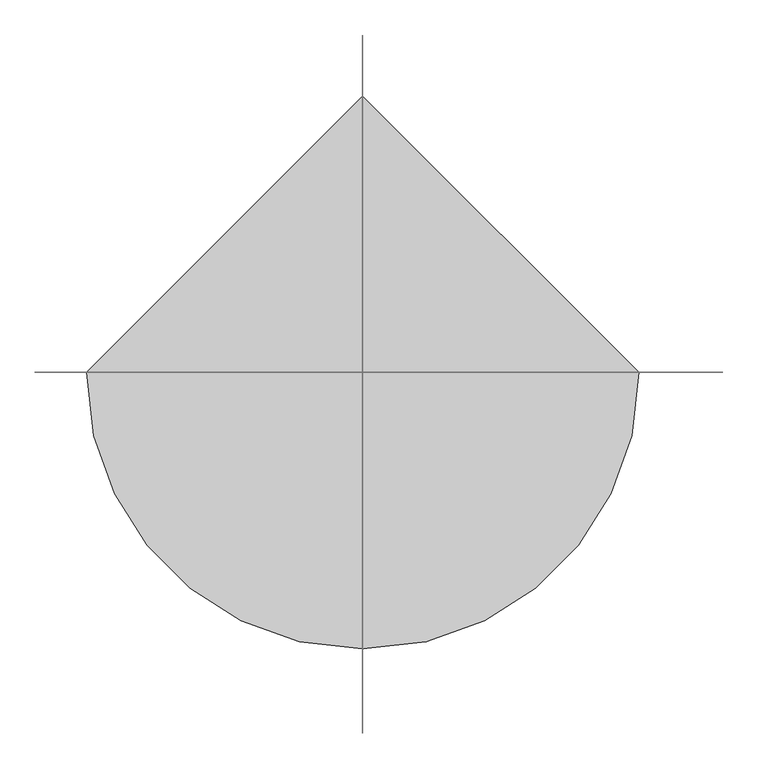
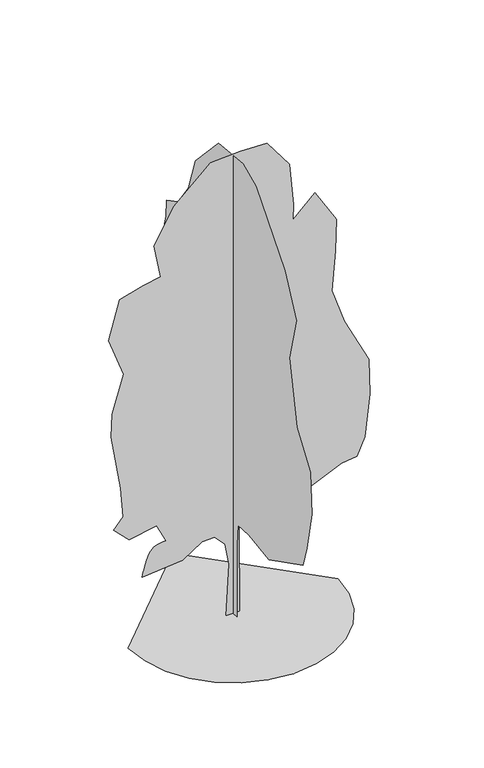
"""IFC4 building model written with IfcOpenShell, lengths in millimetres: geographic element geometry."""

from ifc_helpers import new_model, si_unit, origin, place, context, project, spatial, triangles, source, transform, mapped, element, save


def geographic_element_40acba24(model_context):
    return source(origin(), model_context, "Body", "Tessellation", [
        triangles([(-1640.6350319, 0.0, 6.17e-05), (-1597.2618073, -375.9250917, 6.17e-05), (-1473.7362076, -721.1521299, 6.17e-05), (-1279.9481815, -1025.7899305, 6.17e-05), (-1025.7900759, -1279.9483269, 6.17e-05), (-721.1519119, -1473.7357716, 6.17e-05), (-375.9249101, -1597.2618073, 6.17e-05), (7.17e-05, -1640.6350319, 6.17e-05), (375.9250917, -1597.2619526, 6.17e-05), (721.1521299, -1473.7360622, 6.17e-05), (1025.7900759, -1279.9481815, 6.17e-05), (1279.9486176, -1025.7900759, 6.17e-05), (1473.7359169, -721.1519119, 6.17e-05), (1597.2618073, -375.9248374, 6.17e-05), (1640.6350319, 0.0001434, 6.17e-05), (-0.0002151, 1640.6350319, 6.17e-05), (-1.07e-05, -102.5763152, 0.0), (2.5e-05, -100.9809819, 1191.4187742), (3.22e-05, -129.5410573, 1533.7667004), (7e-07, -437.6736119, 1554.0757805), (-5.76e-05, -973.8285673, 1474.4268631), (-0.0001401, -1898.6961697, 1943.5624718), (-0.0001409, -2005.9272697, 2292.063438), (-0.0001357, -2139.9660358, 2935.4496025), (-0.0001116, -2099.7546822, 3605.6435783), (-5.8e-05, -1735.814106, 4130.1484818), (-5.5e-06, -1523.3897175, 5147.0898972), (-3.5e-06, -1711.0423622, 5870.899205), (4.78e-05, -1402.7536217, 6514.2855148), (0.0001565, -625.3287638, 7439.1534805), (0.000198, -272.4836404, 7598.1990051), (0.0002655, 393.3664327, 7532.9808929), (0.0003113, 1023.3488731, 6862.7869171), (0.0003141, 1211.0034073, 6299.8236053), (0.0003314, 1492.4837551, 5897.7074524), (0.0003588, 1800.7742397, 5736.8608749), (0.0003522, 1814.1780727, 5468.7830521), (0.0003514, 1894.6015068, 5160.4937302), (0.0003267, 1760.5627407, 4798.5893669), (0.0003288, 1881.1976738, 4450.088546), (0.000327, 2001.8324615, 3967.5488136), (0.0003203, 1975.0247955, 3833.5096115), (0.0002869, 1747.159053, 3511.8164566), (0.0002722, 1732.7516476, 3069.4885139), (0.0002625, 1720.3510963, 2788.0068581), (0.0002535, 1733.7549294, 2439.5063278), (0.0002406, 1747.159053, 1956.9668861), (0.0002166, 1559.5046642, 1809.523851), (0.0001802, 1211.0038433, 1809.523851), (0.0001822, 1371.8504208, 1313.580431), (0.0001711, 1344.9556961, 1032.1683203), (0.0001512, 1100.1359739, 1224.6137684), (9.84e-05, 627.810589, 1103.8028286), (9.77e-05, 550.2637599, 1353.49907), (6.27e-05, 215.346067, 1350.4488201), (5.01e-05, 130.4579254, 1225.1105404), (3.26e-05, 79.3405423, 816.1354311), (1.17e-05, 111.8716144, 1.28e-05), (-110.5798692, 4.8e-06, 4.45e-05), (-66.5363775, -9.62e-05, 831.3140104), (-128.9679092, -0.0001356, 1184.825572), (-290.0246482, -0.0001497, 1361.7341778), (-482.3670685, -0.0001405, 1355.1302204), (-794.1779051, -0.0001027, 1152.7338535), (-1424.1603092, -6.88e-05, 1099.1184488), (-1415.4458702, -7.33e-05, 1133.781086), (-1406.1451298, -7.8e-05, 1169.6158899), (-1395.6722225, -8.3e-05, 1207.7952456), (-1383.4407017, -8.85e-05, 1249.4921917), (-1368.8645565, -9.46e-05, 1295.8774418), (-1351.3574856, -0.0001016, 1348.1257061), (-1330.3333328, -0.0001096, 1407.4074074), (-1303.8382931, -0.0001173, 1462.3908245), (-1271.0123898, -0.0001236, 1502.6024689), (-1232.9109364, -0.0001286, 1530.5039635), (-1190.588883, -0.0001326, 1548.5586754), (-1145.1018339, -0.0001358, 1559.2267742), (-1097.5041578, -0.0001386, 1564.971191), (-1048.8515316, -0.0001411, 1568.2539848), (-1196.294058, -0.0001698, 1863.1393284), (-1625.218531, -0.0001415, 1782.7160397), (-1866.4879612, -0.0001597, 2023.9863419), (-1719.0452168, -0.0001869, 2198.236607), (-1759.2568611, -0.0002427, 2680.7764847), (-1906.6994602, -0.0003433, 3578.8359123), (-1893.4979404, -0.0003882, 3950.7687332), (-1715.4032879, -0.0004676, 4551.3483536), (-1946.9112499, -0.0005333, 5187.3013962), (-1772.6605488, -0.0006144, 5803.88004), (-1410.7561855, -0.000643, 5911.1112854), (-1135.4252443, -0.0006608, 5959.6792511), (-1236.5059204, -0.0007209, 6500.8816818), (-928.2163805, -0.0007999, 7050.4411606), (-351.8493811, -0.0008874, 7573.192392), (117.2860368, -0.0009111, 7600.000058), (532.8066133, -0.0009277, 7586.5956436), (881.3074705, -0.000887, 7117.4603256), (945.3842279, -0.0008079, 6430.5952744), (936.1832634, -0.0007775, 6178.7100677), (1283.4236961, -0.0008311, 6500.8816818), (1618.5208294, -0.0007802, 5951.3222031), (1605.1169964, -0.0007177, 5432.2143539), (1545.3907001, -0.0006383, 4788.0519287), (1739.1557625, -0.0005793, 4222.2222221), (2126.1689129, -0.0005054, 3460.0925789), (2138.5076946, -0.0004374, 2885.2169128), (2060.848772, -0.0003521, 2198.2364616), (1940.213839, -0.0003133, 1916.7548058), (1698.9439728, -0.0002996, 1889.9471397), (1229.8082188, -0.0002535, 1675.4849396), (814.2876514, -0.0002002, 1380.5997414), (256.8007496, -0.0002044, 1620.3048775), (92.8066444, -0.0001762, 1443.8352711), (103.8818677, -4.5e-06, 3.51e-05)], [[15, 16, 1], [14, 15, 1], [14, 1, 2], [13, 14, 2], [13, 2, 3], [13, 3, 4], [12, 13, 4], [11, 12, 4], [11, 4, 5], [11, 5, 6], [11, 6, 7], [11, 7, 8], [11, 8, 9], [11, 9, 10], [50, 51, 52], [57, 58, 17], [57, 17, 18], [56, 57, 18], [56, 18, 19], [55, 56, 19], [49, 50, 52], [52, 53, 54], [49, 52, 54], [35, 36, 37], [46, 47, 48], [46, 48, 49], [21, 22, 23], [20, 21, 23], [20, 23, 24], [20, 24, 25], [20, 25, 26], [19, 20, 26], [19, 26, 27], [45, 46, 49], [31, 32, 33], [30, 31, 33], [29, 30, 33], [29, 33, 34], [28, 29, 34], [27, 28, 34], [19, 27, 34], [19, 34, 35], [19, 35, 37], [19, 37, 38], [19, 38, 39], [19, 39, 40], [19, 40, 41], [19, 41, 42], [19, 42, 43], [19, 43, 44], [19, 44, 45], [19, 45, 49], [19, 49, 54], [55, 19, 54], [64, 65, 66], [64, 66, 67], [64, 67, 68], [99, 100, 101], [64, 68, 69], [64, 69, 70], [64, 70, 71], [114, 59, 60], [113, 114, 60], [113, 60, 61], [113, 61, 62], [64, 71, 72], [64, 72, 73], [64, 73, 74], [64, 74, 75], [64, 75, 76], [64, 76, 77], [64, 77, 78], [64, 78, 79], [63, 64, 79], [81, 82, 83], [80, 81, 83], [99, 101, 102], [107, 108, 109], [110, 111, 112], [88, 89, 90], [87, 88, 90], [87, 90, 91], [80, 83, 84], [95, 96, 97], [95, 97, 98], [94, 95, 98], [93, 94, 98], [92, 93, 98], [91, 92, 98], [91, 98, 99], [87, 91, 99], [87, 99, 102], [87, 102, 103], [87, 103, 104], [86, 87, 104], [85, 86, 104], [84, 85, 104], [80, 84, 104], [80, 104, 105], [80, 105, 106], [80, 106, 107], [80, 107, 109], [80, 109, 110], [80, 110, 112], [79, 80, 112], [63, 79, 112], [62, 63, 112], [113, 62, 112]], closed=False),
    ])


if __name__ == "__main__":
    model = new_model("IFC4")
    model_context = context("Model", 3, world=origin())
    ifc_project = project(units=[si_unit("LENGTHUNIT", "METRE", prefix="MILLI")], contexts=[model_context])
    site = spatial("IfcSite", under=ifc_project)
    building = spatial("IfcBuilding", under=site)
    placement = place(None, origin())
    geographic_element_shape = geographic_element_40acba24(model_context)
    element("IfcGeographicElement", 1, at=placement, inside=building, context=model_context, shape_type="MappedRepresentation", body=[
        mapped(geographic_element_shape, transform((0.0, 0.0, 0.0), x_axis=(1.0, 0.0, 0.0), y_axis=(0.0, 1.0, 0.0), z_axis=(0.0, 0.0, 1.0))),
    ])
    save(model, "model.ifc")
